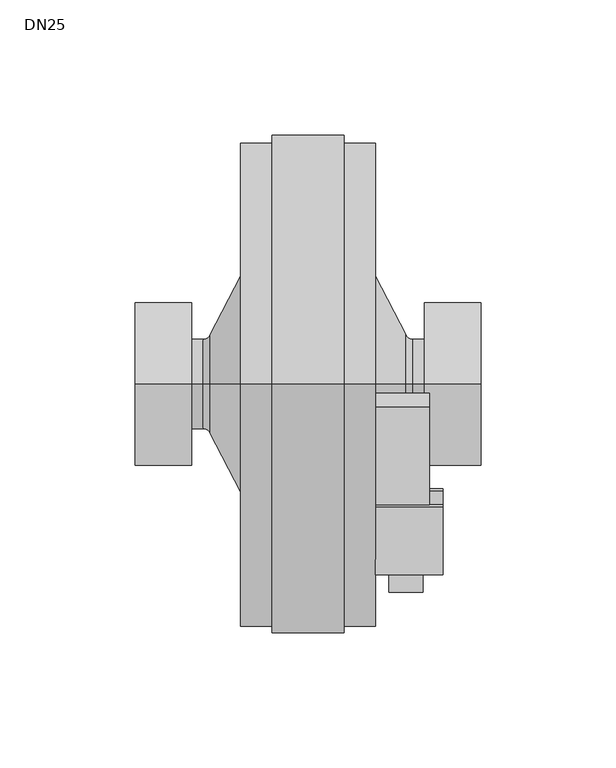
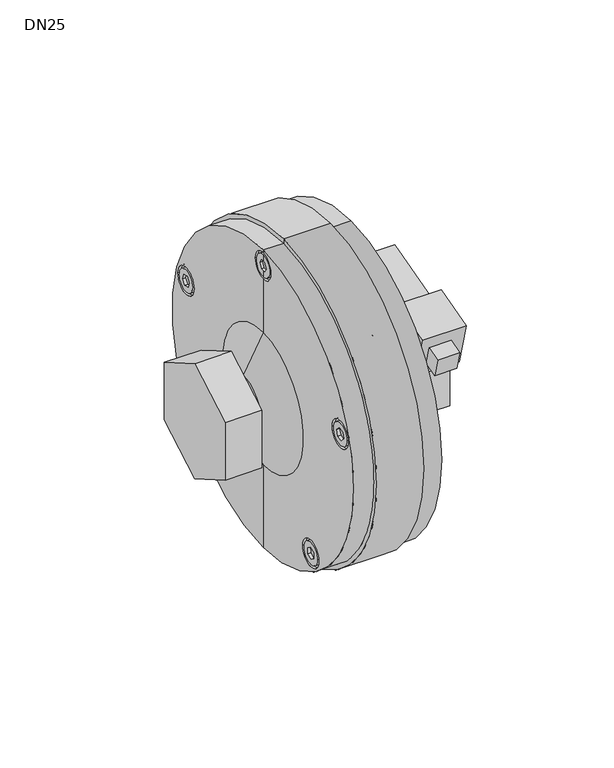
"""IFC4 building model written with IfcOpenShell, lengths in millimetres: proxy geometry, DN25."""

from ifc_helpers import new_model, si_unit, point, frame, origin, place, context, project, spatial, polyline, circle_curve, ellipse_curve, trimmed, outline, extrude, faceted_brep, source, transform, mapped, element, save
from ifc_brep_helpers import plane_surface, cylinder_surface, revolved_surface, advanced_brep


def dn25_79502660(model_context):
    return source(origin(), model_context, "Body", "SolidModel", [
        advanced_brep(
        [(25.0, 0.0, 54.0), (25.0, 0.0, 233.0), (25.0, 0.0, 231.5), (25.0, 8.0, 223.5), (25.0, 0.0, 215.5), (25.0, 0.0, 183.5), (25.0, 0.0, 103.5), (25.0, 68.0845213, 168.2213595), (25.0, 84.0845213, 168.2213595), (25.0, 39.0228202, 78.7786404), (25.0, 55.0228202, 78.7786404), (25.0, 0.0, 230.0), (25.0, 0.0, 226.5), (25.0, 1.7320508, 226.5), (25.0, 3.4641016, 223.5), (25.0, 1.7320508, 220.5), (25.0, 0.0, 220.5), (25.0, 0.0, 217.0), (25.0, 6.5, 223.5), (25.0, 69.5845213, 168.2213595), (25.0, 82.5845213, 168.2213595), (25.0, 72.6961186, 168.9415868), (25.0, 75.014055, 171.515916), (25.0, 78.4024577, 170.7956887), (25.0, 79.472924, 167.5011323), (25.0, 77.1549876, 164.9268031), (25.0, 73.7665849, 165.6470304), (25.0, 40.5228202, 78.7786404), (25.0, 53.5228202, 78.7786404), (25.0, 46.660723, 82.2237654), (25.0, 49.8253373, 80.8147883), (25.0, 50.1874345, 77.3696634), (25.0, 47.3849174, 75.3335155), (25.0, 44.2203031, 76.7424926), (25.0, 43.8582059, 80.1876175), (25.0, -8.0, 223.5), (25.0, -84.0845213, 168.2213595), (25.0, -68.0845213, 168.2213595), (25.0, -55.0228202, 78.7786404), (25.0, -39.0228202, 78.7786404), (25.0, -6.5, 223.5), (25.0, -1.7320508, 220.5), (25.0, -3.4641016, 223.5), (25.0, -1.7320508, 226.5), (25.0, -82.5845213, 168.2213595), (25.0, -69.5845213, 168.2213595), (25.0, -75.014055, 171.515916), (25.0, -72.6961186, 168.9415868), (25.0, -73.7665849, 165.6470304), (25.0, -77.1549876, 164.9268031), (25.0, -79.472924, 167.5011323), (25.0, -78.4024577, 170.7956887), (25.0, -53.5228202, 78.7786404), (25.0, -40.5228202, 78.7786404), (25.0, -49.8253373, 80.8147883), (25.0, -46.660723, 82.2237654), (25.0, -43.8582059, 80.1876175), (25.0, -44.2203031, 76.7424926), (25.0, -47.3849174, 75.3335155), (25.0, -50.1874345, 77.3696634), (13.3663666, 0.0, 54.0), (13.3663666, 0.0, 233.0), (13.3663666, 0.0, 51.5), (13.3663666, 0.0, 235.5), (-13.3663666, 0.0, 51.5), (-13.3663666, 0.0, 235.5), (-13.3663666, 0.0, 54.0), (-13.3663666, 0.0, 233.0), (-25.0, 0.0, 54.0), (-25.0, 0.0, 233.0), (-25.0, 0.0, 103.5), (-25.0, 0.0, 183.5), (-25.0, 0.0, 215.5), (-25.0, 8.0, 223.5), (-25.0, 0.0, 231.5), (-25.0, 84.0845213, 168.2213595), (-25.0, 68.0845213, 168.2213595), (-25.0, 55.0228202, 78.7786404), (-25.0, 39.0228202, 78.7786404), (-25.0, 0.0, 226.5), (-25.0, 0.0, 230.0), (-25.0, 6.5, 223.5), (-25.0, 0.0, 217.0), (-25.0, 0.0, 220.5), (-25.0, 1.7320508, 220.5), (-25.0, 3.4641016, 223.5), (-25.0, 1.7320508, 226.5), (-25.0, 82.5845213, 168.2213595), (-25.0, 69.5845213, 168.2213595), (-25.0, 75.014055, 171.515916), (-25.0, 72.6961186, 168.9415868), (-25.0, 73.7665849, 165.6470304), (-25.0, 77.1549876, 164.9268031), (-25.0, 79.472924, 167.5011323), (-25.0, 78.4024577, 170.7956887), (-25.0, 53.5228202, 78.7786404), (-25.0, 40.5228202, 78.7786404), (-25.0, 49.8253373, 80.8147883), (-25.0, 46.660723, 82.2237654), (-25.0, 43.8582059, 80.1876175), (-25.0, 44.2203031, 76.7424926), (-25.0, 47.3849174, 75.3335155), (-25.0, 50.1874345, 77.3696634), (-25.0, -8.0, 223.5), (-25.0, -68.0845213, 168.2213595), (-25.0, -84.0845213, 168.2213595), (-25.0, -39.0228202, 78.7786404), (-25.0, -55.0228202, 78.7786404), (-25.0, -1.7320508, 226.5), (-25.0, -3.4641016, 223.5), (-25.0, -1.7320508, 220.5), (-25.0, -6.5, 223.5), (-25.0, -69.5845213, 168.2213595), (-25.0, -82.5845213, 168.2213595), (-25.0, -72.6961186, 168.9415868), (-25.0, -75.014055, 171.515916), (-25.0, -78.4024577, 170.7956887), (-25.0, -79.472924, 167.5011323), (-25.0, -77.1549876, 164.9268031), (-25.0, -73.7665849, 165.6470304), (-25.0, -40.5228202, 78.7786404), (-25.0, -53.5228202, 78.7786404), (-25.0, -46.660723, 82.2237654), (-25.0, -49.8253373, 80.8147883), (-25.0, -50.1874345, 77.3696634), (-25.0, -47.3849174, 75.3335155), (-25.0, -44.2203031, 76.7424926), (-25.0, -43.8582059, 80.1876175), (-36.1632704, 0.0, 125.2455856), (-36.1632704, 0.0, 161.7544144), (-38.8321401, 0.0, 126.8755), (-38.8321401, 0.0, 160.1245), (-43.0, 0.0, 126.8755), (-43.0, 0.0, 160.1245), (-43.0, 0.0, 143.5), (43.0, 0.0, 126.8755), (43.0, 0.0, 160.1245), (43.0, 0.0, 143.5), (38.8321401, 0.0, 126.8755), (38.8321401, 0.0, 160.1245), (36.1632704, 0.0, 125.2455856), (36.1632704, 0.0, 161.7544144), (23.2, 68.0845213, 168.2213595), (23.2, 84.0845213, 168.2213595), (23.2, 69.5845213, 168.2213595), (23.2, 82.5845213, 168.2213595), (23.2, 72.6961186, 168.9415868), (23.2, 73.7665849, 165.6470304), (23.2, 77.1549876, 164.9268031), (23.2, 79.472924, 167.5011323), (23.2, 78.4024577, 170.7956887), (23.2, 75.014055, 171.515916), (23.2, -8.0, 223.5), (23.2, 8.0, 223.5), (23.2, -6.5, 223.5), (23.2, 6.5, 223.5), (23.2, -1.7320508, 226.5), (23.2, -3.4641016, 223.5), (23.2, -1.7320508, 220.5), (23.2, 1.7320508, 220.5), (23.2, 3.4641016, 223.5), (23.2, 1.7320508, 226.5), (23.2, -84.0845213, 168.2213595), (23.2, -68.0845213, 168.2213595), (23.2, -82.5845213, 168.2213595), (23.2, -69.5845213, 168.2213595), (23.2, -75.014055, 171.515916), (23.2, -78.4024577, 170.7956887), (23.2, -79.472924, 167.5011323), (23.2, -77.1549876, 164.9268031), (23.2, -73.7665849, 165.6470304), (23.2, -72.6961186, 168.9415868), (23.2, -55.0228202, 78.7786404), (23.2, -39.0228202, 78.7786404), (23.2, -53.5228202, 78.7786404), (23.2, -40.5228202, 78.7786404), (23.2, -49.8253373, 80.8147883), (23.2, -50.1874345, 77.3696634), (23.2, -47.3849174, 75.3335155), (23.2, -44.2203031, 76.7424926), (23.2, -43.8582059, 80.1876175), (23.2, -46.660723, 82.2237654), (23.2, 39.0228202, 78.7786404), (23.2, 55.0228202, 78.7786404), (23.2, 40.5228202, 78.7786404), (23.2, 53.5228202, 78.7786404), (23.2, 46.660723, 82.2237654), (23.2, 43.8582059, 80.1876175), (23.2, 44.2203031, 76.7424926), (23.2, 47.3849174, 75.3335155), (23.2, 50.1874345, 77.3696634), (23.2, 49.8253373, 80.8147883), (-23.2, 68.0845213, 168.2213595), (-23.2, 84.0845213, 168.2213595), (-23.2, 69.5845213, 168.2213595), (-23.2, 82.5845213, 168.2213595), (-23.2, 72.6961186, 168.9415868), (-23.2, 75.014055, 171.515916), (-23.2, 78.4024577, 170.7956887), (-23.2, 79.472924, 167.5011323), (-23.2, 77.1549876, 164.9268031), (-23.2, 73.7665849, 165.6470304), (-23.2, -8.0, 223.5), (-23.2, 8.0, 223.5), (-23.2, -6.5, 223.5), (-23.2, 6.5, 223.5), (-23.2, -1.7320508, 226.5), (-23.2, 1.7320508, 226.5), (-23.2, 3.4641016, 223.5), (-23.2, 1.7320508, 220.5), (-23.2, -1.7320508, 220.5), (-23.2, -3.4641016, 223.5), (-23.2, -84.0845213, 168.2213595), (-23.2, -68.0845213, 168.2213595), (-23.2, -82.5845213, 168.2213595), (-23.2, -69.5845213, 168.2213595), (-23.2, -75.014055, 171.515916), (-23.2, -72.6961186, 168.9415868), (-23.2, -73.7665849, 165.6470304), (-23.2, -77.1549876, 164.9268031), (-23.2, -79.472924, 167.5011323), (-23.2, -78.4024577, 170.7956887), (-23.2, -55.0228202, 78.7786404), (-23.2, -39.0228202, 78.7786404), (-23.2, -53.5228202, 78.7786404), (-23.2, -40.5228202, 78.7786404), (-23.2, -49.8253373, 80.8147883), (-23.2, -46.660723, 82.2237654), (-23.2, -43.8582059, 80.1876175), (-23.2, -44.2203031, 76.7424926), (-23.2, -47.3849174, 75.3335155), (-23.2, -50.1874345, 77.3696634), (-23.2, 39.0228202, 78.7786404), (-23.2, 55.0228202, 78.7786404), (-23.2, 40.5228202, 78.7786404), (-23.2, 53.5228202, 78.7786404), (-23.2, 46.660723, 82.2237654), (-23.2, 49.8253373, 80.8147883), (-23.2, 50.1874345, 77.3696634), (-23.2, 47.3849174, 75.3335155), (-23.2, 44.2203031, 76.7424926), (-23.2, 43.8582059, 80.1876175)],
        [
            (0, 1, circle_curve(frame((25.0, 0.0, 143.5), z_axis=(1.0, 0.0, 0.0), x_axis=(0.0, 0.0, 1.0)), 89.5)),
            (1, 2),
            (2, 3, circle_curve(frame((25.0, 0.0, 223.5), z_axis=(-1.0, 0.0, 0.0), x_axis=(0.0, 1.0, 0.0)), 8.0)),
            (3, 4, circle_curve(frame((25.0, 0.0, 223.5), z_axis=(-1.0, 0.0, 0.0), x_axis=(0.0, 1.0, 0.0)), 8.0)),
            (4, 5),
            (5, 6, circle_curve(frame((25.0, 0.0, 143.5), z_axis=(-1.0, 0.0, 0.0), x_axis=(0.0, 0.0, 1.0)), 40.0)),
            (6, 0),
            (7, 8, circle_curve(frame((25.0, 76.0845213, 168.2213595), z_axis=(-1.0, 0.0, 0.0), x_axis=(0.0, 1.0, 0.0)), 8.0)),
            (8, 7, circle_curve(frame((25.0, 76.0845213, 168.2213595), z_axis=(-1.0, 0.0, 0.0), x_axis=(0.0, 1.0, 0.0)), 8.0)),
            (9, 10, circle_curve(frame((25.0, 47.0228202, 78.7786404), z_axis=(-1.0, 0.0, 0.0), x_axis=(0.0, 1.0, 0.0)), 8.0)),
            (10, 9, circle_curve(frame((25.0, 47.0228202, 78.7786404), z_axis=(-1.0, 0.0, 0.0), x_axis=(0.0, 1.0, 0.0)), 8.0)),
            (11, 12),
            (12, 13),
            (13, 14),
            (14, 15),
            (15, 16),
            (16, 17),
            (17, 18, circle_curve(frame((25.0, 0.0, 223.5), z_axis=(1.0, 0.0, 0.0), x_axis=(0.0, 1.0, 0.0)), 6.5)),
            (18, 11, circle_curve(frame((25.0, 0.0, 223.5), z_axis=(1.0, 0.0, 0.0), x_axis=(0.0, 1.0, 0.0)), 6.5)),
            (19, 20, circle_curve(frame((25.0, 76.0845213, 168.2213595), z_axis=(1.0, 0.0, 0.0), x_axis=(0.0, 1.0, 0.0)), 6.5)),
            (20, 19, circle_curve(frame((25.0, 76.0845213, 168.2213595), z_axis=(1.0, 0.0, 0.0), x_axis=(0.0, 1.0, 0.0)), 6.5)),
            (21, 22),
            (22, 23),
            (23, 24),
            (24, 25),
            (25, 26),
            (26, 21),
            (27, 28, circle_curve(frame((25.0, 47.0228202, 78.7786404), z_axis=(1.0, 0.0, 0.0), x_axis=(0.0, 1.0, 0.0)), 6.5)),
            (28, 27, circle_curve(frame((25.0, 47.0228202, 78.7786404), z_axis=(1.0, 0.0, 0.0), x_axis=(0.0, 1.0, 0.0)), 6.5)),
            (29, 30),
            (30, 31),
            (31, 32),
            (32, 33),
            (33, 34),
            (34, 29),
            (6, 5, circle_curve(frame((25.0, 0.0, 143.5), z_axis=(-1.0, 0.0, 0.0), x_axis=(0.0, 0.0, 1.0)), 40.0)),
            (4, 35, circle_curve(frame((25.0, 0.0, 223.5), z_axis=(-1.0, 0.0, 0.0), x_axis=(0.0, 1.0, 0.0)), 8.0)),
            (35, 2, circle_curve(frame((25.0, 0.0, 223.5), z_axis=(-1.0, 0.0, 0.0), x_axis=(0.0, 1.0, 0.0)), 8.0)),
            (1, 0, circle_curve(frame((25.0, 0.0, 143.5), z_axis=(1.0, 0.0, 0.0), x_axis=(0.0, 0.0, 1.0)), 89.5)),
            (36, 37, circle_curve(frame((25.0, -76.0845213, 168.2213595), z_axis=(-1.0, 0.0, 0.0), x_axis=(0.0, 1.0, 0.0)), 8.0)),
            (37, 36, circle_curve(frame((25.0, -76.0845213, 168.2213595), z_axis=(-1.0, 0.0, 0.0), x_axis=(0.0, 1.0, 0.0)), 8.0)),
            (38, 39, circle_curve(frame((25.0, -47.0228202, 78.7786404), z_axis=(-1.0, 0.0, 0.0), x_axis=(0.0, 1.0, 0.0)), 8.0)),
            (39, 38, circle_curve(frame((25.0, -47.0228202, 78.7786404), z_axis=(-1.0, 0.0, 0.0), x_axis=(0.0, 1.0, 0.0)), 8.0)),
            (11, 40, circle_curve(frame((25.0, 0.0, 223.5), z_axis=(1.0, 0.0, 0.0), x_axis=(0.0, 1.0, 0.0)), 6.5)),
            (40, 17, circle_curve(frame((25.0, 0.0, 223.5), z_axis=(1.0, 0.0, 0.0), x_axis=(0.0, 1.0, 0.0)), 6.5)),
            (16, 41),
            (41, 42),
            (42, 43),
            (43, 12),
            (44, 45, circle_curve(frame((25.0, -76.0845213, 168.2213595), z_axis=(1.0, 0.0, 0.0), x_axis=(0.0, 1.0, 0.0)), 6.5)),
            (45, 44, circle_curve(frame((25.0, -76.0845213, 168.2213595), z_axis=(1.0, 0.0, 0.0), x_axis=(0.0, 1.0, 0.0)), 6.5)),
            (46, 47),
            (47, 48),
            (48, 49),
            (49, 50),
            (50, 51),
            (51, 46),
            (52, 53, circle_curve(frame((25.0, -47.0228202, 78.7786404), z_axis=(1.0, 0.0, 0.0), x_axis=(0.0, 1.0, 0.0)), 6.5)),
            (53, 52, circle_curve(frame((25.0, -47.0228202, 78.7786404), z_axis=(1.0, 0.0, 0.0), x_axis=(0.0, 1.0, 0.0)), 6.5)),
            (54, 55),
            (55, 56),
            (56, 57),
            (57, 58),
            (58, 59),
            (59, 54),
            (0, 60),
            (60, 61, circle_curve(frame((13.3663666, 0.0, 143.5), z_axis=(1.0, 0.0, 0.0), x_axis=(0.0, 0.0, 1.0)), 89.5)),
            (61, 1),
            (61, 60, circle_curve(frame((13.3663666, 0.0, 143.5), z_axis=(1.0, 0.0, 0.0), x_axis=(0.0, 0.0, 1.0)), 89.5)),
            (60, 62),
            (62, 63, circle_curve(frame((13.3663666, 0.0, 143.5), z_axis=(1.0, 0.0, 0.0), x_axis=(0.0, 0.0, 1.0)), 92.0)),
            (63, 61),
            (63, 62, circle_curve(frame((13.3663666, 0.0, 143.5), z_axis=(1.0, 0.0, 0.0), x_axis=(0.0, 0.0, 1.0)), 92.0)),
            (62, 64),
            (64, 65, circle_curve(frame((-13.3663666, 0.0, 143.5), z_axis=(1.0, 0.0, 0.0), x_axis=(0.0, 0.0, 1.0)), 92.0)),
            (65, 63),
            (65, 64, circle_curve(frame((-13.3663666, 0.0, 143.5), z_axis=(1.0, 0.0, 0.0), x_axis=(0.0, 0.0, 1.0)), 92.0)),
            (64, 66),
            (66, 67, circle_curve(frame((-13.3663666, 0.0, 143.5), z_axis=(1.0, 0.0, 0.0), x_axis=(0.0, 0.0, 1.0)), 89.5)),
            (67, 65),
            (67, 66, circle_curve(frame((-13.3663666, 0.0, 143.5), z_axis=(1.0, 0.0, 0.0), x_axis=(0.0, 0.0, 1.0)), 89.5)),
            (66, 68),
            (68, 69, circle_curve(frame((-25.0, 0.0, 143.5), z_axis=(1.0, 0.0, 0.0), x_axis=(0.0, 0.0, 1.0)), 89.5)),
            (69, 67),
            (69, 68, circle_curve(frame((-25.0, 0.0, 143.5), z_axis=(1.0, 0.0, 0.0), x_axis=(0.0, 0.0, 1.0)), 89.5)),
            (68, 70),
            (70, 71, circle_curve(frame((-25.0, 0.0, 143.5), z_axis=(1.0, 0.0, 0.0), x_axis=(0.0, 0.0, 1.0)), 40.0)),
            (71, 72),
            (72, 73, circle_curve(frame((-25.0, 0.0, 223.5), z_axis=(1.0, 0.0, 0.0), x_axis=(0.0, 1.0, 0.0)), 8.0)),
            (73, 74, circle_curve(frame((-25.0, 0.0, 223.5), z_axis=(1.0, 0.0, 0.0), x_axis=(0.0, 1.0, 0.0)), 8.0)),
            (74, 69),
            (75, 76, circle_curve(frame((-25.0, 76.0845213, 168.2213595), z_axis=(1.0, 0.0, 0.0), x_axis=(0.0, 1.0, 0.0)), 8.0)),
            (76, 75, circle_curve(frame((-25.0, 76.0845213, 168.2213595), z_axis=(1.0, 0.0, 0.0), x_axis=(0.0, 1.0, 0.0)), 8.0)),
            (77, 78, circle_curve(frame((-25.0, 47.0228202, 78.7786404), z_axis=(1.0, 0.0, 0.0), x_axis=(0.0, 1.0, 0.0)), 8.0)),
            (78, 77, circle_curve(frame((-25.0, 47.0228202, 78.7786404), z_axis=(1.0, 0.0, 0.0), x_axis=(0.0, 1.0, 0.0)), 8.0)),
            (79, 80),
            (80, 81, circle_curve(frame((-25.0, 0.0, 223.5), z_axis=(-1.0, 0.0, 0.0), x_axis=(0.0, 1.0, 0.0)), 6.5)),
            (81, 82, circle_curve(frame((-25.0, 0.0, 223.5), z_axis=(-1.0, 0.0, 0.0), x_axis=(0.0, 1.0, 0.0)), 6.5)),
            (82, 83),
            (83, 84),
            (84, 85),
            (85, 86),
            (86, 79),
            (87, 88, circle_curve(frame((-25.0, 76.0845213, 168.2213595), z_axis=(-1.0, 0.0, 0.0), x_axis=(0.0, 1.0, 0.0)), 6.5)),
            (88, 87, circle_curve(frame((-25.0, 76.0845213, 168.2213595), z_axis=(-1.0, 0.0, 0.0), x_axis=(0.0, 1.0, 0.0)), 6.5)),
            (89, 90),
            (90, 91),
            (91, 92),
            (92, 93),
            (93, 94),
            (94, 89),
            (95, 96, circle_curve(frame((-25.0, 47.0228202, 78.7786404), z_axis=(-1.0, 0.0, 0.0), x_axis=(0.0, 1.0, 0.0)), 6.5)),
            (96, 95, circle_curve(frame((-25.0, 47.0228202, 78.7786404), z_axis=(-1.0, 0.0, 0.0), x_axis=(0.0, 1.0, 0.0)), 6.5)),
            (97, 98),
            (98, 99),
            (99, 100),
            (100, 101),
            (101, 102),
            (102, 97),
            (74, 103, circle_curve(frame((-25.0, 0.0, 223.5), z_axis=(1.0, 0.0, 0.0), x_axis=(0.0, 1.0, 0.0)), 8.0)),
            (103, 72, circle_curve(frame((-25.0, 0.0, 223.5), z_axis=(1.0, 0.0, 0.0), x_axis=(0.0, 1.0, 0.0)), 8.0)),
            (71, 70, circle_curve(frame((-25.0, 0.0, 143.5), z_axis=(1.0, 0.0, 0.0), x_axis=(0.0, 0.0, 1.0)), 40.0)),
            (104, 105, circle_curve(frame((-25.0, -76.0845213, 168.2213595), z_axis=(1.0, 0.0, 0.0), x_axis=(0.0, 1.0, 0.0)), 8.0)),
            (105, 104, circle_curve(frame((-25.0, -76.0845213, 168.2213595), z_axis=(1.0, 0.0, 0.0), x_axis=(0.0, 1.0, 0.0)), 8.0)),
            (106, 107, circle_curve(frame((-25.0, -47.0228202, 78.7786404), z_axis=(1.0, 0.0, 0.0), x_axis=(0.0, 1.0, 0.0)), 8.0)),
            (107, 106, circle_curve(frame((-25.0, -47.0228202, 78.7786404), z_axis=(1.0, 0.0, 0.0), x_axis=(0.0, 1.0, 0.0)), 8.0)),
            (79, 108),
            (108, 109),
            (109, 110),
            (110, 83),
            (82, 111, circle_curve(frame((-25.0, 0.0, 223.5), z_axis=(-1.0, 0.0, 0.0), x_axis=(0.0, 1.0, 0.0)), 6.5)),
            (111, 80, circle_curve(frame((-25.0, 0.0, 223.5), z_axis=(-1.0, 0.0, 0.0), x_axis=(0.0, 1.0, 0.0)), 6.5)),
            (112, 113, circle_curve(frame((-25.0, -76.0845213, 168.2213595), z_axis=(-1.0, 0.0, 0.0), x_axis=(0.0, 1.0, 0.0)), 6.5)),
            (113, 112, circle_curve(frame((-25.0, -76.0845213, 168.2213595), z_axis=(-1.0, 0.0, 0.0), x_axis=(0.0, 1.0, 0.0)), 6.5)),
            (114, 115),
            (115, 116),
            (116, 117),
            (117, 118),
            (118, 119),
            (119, 114),
            (120, 121, circle_curve(frame((-25.0, -47.0228202, 78.7786404), z_axis=(-1.0, 0.0, 0.0), x_axis=(0.0, 1.0, 0.0)), 6.5)),
            (121, 120, circle_curve(frame((-25.0, -47.0228202, 78.7786404), z_axis=(-1.0, 0.0, 0.0), x_axis=(0.0, 1.0, 0.0)), 6.5)),
            (122, 123),
            (123, 124),
            (124, 125),
            (125, 126),
            (126, 127),
            (127, 122),
            (70, 128),
            (128, 129, circle_curve(frame((-36.1632704, 0.0, 143.5), z_axis=(1.0, 0.0, 0.0), x_axis=(0.0, 0.0, 1.0)), 18.2544144)),
            (129, 71),
            (129, 128, circle_curve(frame((-36.1632704, 0.0, 143.5), z_axis=(1.0, 0.0, 0.0), x_axis=(0.0, 0.0, 1.0)), 18.2544144)),
            (128, 130, circle_curve(frame((-38.8321401, 0.0, 123.8755), z_axis=(0.0, -1.0, 0.0), x_axis=(1.0, 0.0, 0.0)), 3.0)),
            (130, 131, circle_curve(frame((-38.8321401, 0.0, 143.5), z_axis=(1.0, 0.0, 0.0), x_axis=(0.0, 0.0, 1.0)), 16.6245)),
            (131, 129, circle_curve(frame((-38.8321401, 0.0, 163.1245), z_axis=(0.0, -1.0, 0.0), x_axis=(1.0, 0.0, 0.0)), 3.0)),
            (131, 130, circle_curve(frame((-38.8321401, 0.0, 143.5), z_axis=(1.0, 0.0, 0.0), x_axis=(0.0, 0.0, 1.0)), 16.6245)),
            (130, 132),
            (132, 133, circle_curve(frame((-43.0, 0.0, 143.5), z_axis=(1.0, 0.0, 0.0), x_axis=(0.0, 0.0, 1.0)), 16.6245)),
            (133, 131),
            (133, 132, circle_curve(frame((-43.0, 0.0, 143.5), z_axis=(1.0, 0.0, 0.0), x_axis=(0.0, 0.0, 1.0)), 16.6245)),
            (132, 134),
            (134, 133),
            (135, 136, circle_curve(frame((43.0, 0.0, 143.5), z_axis=(1.0, 0.0, 0.0), x_axis=(0.0, 0.0, 1.0)), 16.6245)),
            (136, 137),
            (137, 135),
            (136, 135, circle_curve(frame((43.0, 0.0, 143.5), z_axis=(1.0, 0.0, 0.0), x_axis=(0.0, 0.0, 1.0)), 16.6245)),
            (135, 138),
            (138, 139, circle_curve(frame((38.8321401, 0.0, 143.5), z_axis=(1.0, 0.0, 0.0), x_axis=(0.0, 0.0, 1.0)), 16.6245)),
            (139, 136),
            (139, 138, circle_curve(frame((38.8321401, 0.0, 143.5), z_axis=(1.0, 0.0, 0.0), x_axis=(0.0, 0.0, 1.0)), 16.6245)),
            (138, 140, circle_curve(frame((38.8321401, 0.0, 123.8755), z_axis=(0.0, -1.0, 0.0), x_axis=(1.0, 0.0, 0.0)), 3.0)),
            (140, 141, circle_curve(frame((36.1632704, 0.0, 143.5), z_axis=(1.0, 0.0, 0.0), x_axis=(0.0, 0.0, 1.0)), 18.2544144)),
            (141, 139, circle_curve(frame((38.8321401, 0.0, 163.1245), z_axis=(0.0, -1.0, 0.0), x_axis=(1.0, 0.0, 0.0)), 3.0)),
            (141, 140, circle_curve(frame((36.1632704, 0.0, 143.5), z_axis=(1.0, 0.0, 0.0), x_axis=(0.0, 0.0, 1.0)), 18.2544144)),
            (5, 141),
            (140, 6),
            (142, 143, circle_curve(frame((23.2, 76.0845213, 168.2213595), z_axis=(1.0, 0.0, 0.0), x_axis=(0.0, 1.0, 0.0)), 8.0)),
            (143, 142, circle_curve(frame((23.2, 76.0845213, 168.2213595), z_axis=(1.0, 0.0, 0.0), x_axis=(0.0, 1.0, 0.0)), 8.0)),
            (144, 145, circle_curve(frame((23.2, 76.0845213, 168.2213595), z_axis=(-1.0, 0.0, 0.0), x_axis=(0.0, 1.0, 0.0)), 6.5)),
            (145, 144, circle_curve(frame((23.2, 76.0845213, 168.2213595), z_axis=(-1.0, 0.0, 0.0), x_axis=(0.0, 1.0, 0.0)), 6.5)),
            (146, 147),
            (147, 148),
            (148, 149),
            (149, 150),
            (150, 151),
            (151, 146),
            (152, 153, circle_curve(frame((23.2, 0.0, 223.5), z_axis=(1.0, 0.0, 0.0), x_axis=(0.0, 1.0, 0.0)), 8.0)),
            (153, 152, circle_curve(frame((23.2, 0.0, 223.5), z_axis=(1.0, 0.0, 0.0), x_axis=(0.0, 1.0, 0.0)), 8.0)),
            (154, 155, circle_curve(frame((23.2, 0.0, 223.5), z_axis=(-1.0, 0.0, 0.0), x_axis=(0.0, 1.0, 0.0)), 6.5)),
            (155, 154, circle_curve(frame((23.2, 0.0, 223.5), z_axis=(-1.0, 0.0, 0.0), x_axis=(0.0, 1.0, 0.0)), 6.5)),
            (156, 157),
            (157, 158),
            (158, 159),
            (159, 160),
            (160, 161),
            (161, 156),
            (162, 163, circle_curve(frame((23.2, -76.0845213, 168.2213595), z_axis=(1.0, 0.0, 0.0), x_axis=(0.0, 1.0, 0.0)), 8.0)),
            (163, 162, circle_curve(frame((23.2, -76.0845213, 168.2213595), z_axis=(1.0, 0.0, 0.0), x_axis=(0.0, 1.0, 0.0)), 8.0)),
            (164, 165, circle_curve(frame((23.2, -76.0845213, 168.2213595), z_axis=(-1.0, 0.0, 0.0), x_axis=(0.0, 1.0, 0.0)), 6.5)),
            (165, 164, circle_curve(frame((23.2, -76.0845213, 168.2213595), z_axis=(-1.0, 0.0, 0.0), x_axis=(0.0, 1.0, 0.0)), 6.5)),
            (166, 167),
            (167, 168),
            (168, 169),
            (169, 170),
            (170, 171),
            (171, 166),
            (172, 173, circle_curve(frame((23.2, -47.0228202, 78.7786404), z_axis=(1.0, 0.0, 0.0), x_axis=(0.0, 1.0, 0.0)), 8.0)),
            (173, 172, circle_curve(frame((23.2, -47.0228202, 78.7786404), z_axis=(1.0, 0.0, 0.0), x_axis=(0.0, 1.0, 0.0)), 8.0)),
            (174, 175, circle_curve(frame((23.2, -47.0228202, 78.7786404), z_axis=(-1.0, 0.0, 0.0), x_axis=(0.0, 1.0, 0.0)), 6.5)),
            (175, 174, circle_curve(frame((23.2, -47.0228202, 78.7786404), z_axis=(-1.0, 0.0, 0.0), x_axis=(0.0, 1.0, 0.0)), 6.5)),
            (176, 177),
            (177, 178),
            (178, 179),
            (179, 180),
            (180, 181),
            (181, 176),
            (182, 183, circle_curve(frame((23.2, 47.0228202, 78.7786404), z_axis=(1.0, 0.0, 0.0), x_axis=(0.0, 1.0, 0.0)), 8.0)),
            (183, 182, circle_curve(frame((23.2, 47.0228202, 78.7786404), z_axis=(1.0, 0.0, 0.0), x_axis=(0.0, 1.0, 0.0)), 8.0)),
            (184, 185, circle_curve(frame((23.2, 47.0228202, 78.7786404), z_axis=(-1.0, 0.0, 0.0), x_axis=(0.0, 1.0, 0.0)), 6.5)),
            (185, 184, circle_curve(frame((23.2, 47.0228202, 78.7786404), z_axis=(-1.0, 0.0, 0.0), x_axis=(0.0, 1.0, 0.0)), 6.5)),
            (186, 187),
            (187, 188),
            (188, 189),
            (189, 190),
            (190, 191),
            (191, 186),
            (143, 8),
            (7, 142),
            (145, 20),
            (19, 144),
            (151, 22),
            (21, 146),
            (150, 23),
            (149, 24),
            (148, 25),
            (147, 26),
            (153, 3),
            (35, 152),
            (155, 18),
            (40, 154),
            (161, 13),
            (43, 156),
            (160, 14),
            (159, 15),
            (158, 41),
            (157, 42),
            (163, 37),
            (36, 162),
            (165, 45),
            (44, 164),
            (171, 47),
            (46, 166),
            (170, 48),
            (169, 49),
            (168, 50),
            (167, 51),
            (173, 39),
            (38, 172),
            (175, 53),
            (52, 174),
            (181, 55),
            (54, 176),
            (180, 56),
            (179, 57),
            (178, 58),
            (177, 59),
            (183, 10),
            (9, 182),
            (185, 28),
            (27, 184),
            (191, 30),
            (29, 186),
            (190, 31),
            (189, 32),
            (188, 33),
            (187, 34),
            (192, 193, circle_curve(frame((-23.2, 76.0845213, 168.2213595), z_axis=(-1.0, 0.0, 0.0), x_axis=(0.0, 1.0, 0.0)), 8.0)),
            (193, 192, circle_curve(frame((-23.2, 76.0845213, 168.2213595), z_axis=(-1.0, 0.0, 0.0), x_axis=(0.0, 1.0, 0.0)), 8.0)),
            (194, 195, circle_curve(frame((-23.2, 76.0845213, 168.2213595), z_axis=(1.0, 0.0, 0.0), x_axis=(0.0, 1.0, 0.0)), 6.5)),
            (195, 194, circle_curve(frame((-23.2, 76.0845213, 168.2213595), z_axis=(1.0, 0.0, 0.0), x_axis=(0.0, 1.0, 0.0)), 6.5)),
            (196, 197),
            (197, 198),
            (198, 199),
            (199, 200),
            (200, 201),
            (201, 196),
            (202, 203, circle_curve(frame((-23.2, 0.0, 223.5), z_axis=(-1.0, 0.0, 0.0), x_axis=(0.0, 1.0, 0.0)), 8.0)),
            (203, 202, circle_curve(frame((-23.2, 0.0, 223.5), z_axis=(-1.0, 0.0, 0.0), x_axis=(0.0, 1.0, 0.0)), 8.0)),
            (204, 205, circle_curve(frame((-23.2, 0.0, 223.5), z_axis=(1.0, 0.0, 0.0), x_axis=(0.0, 1.0, 0.0)), 6.5)),
            (205, 204, circle_curve(frame((-23.2, 0.0, 223.5), z_axis=(1.0, 0.0, 0.0), x_axis=(0.0, 1.0, 0.0)), 6.5)),
            (206, 207),
            (207, 208),
            (208, 209),
            (209, 210),
            (210, 211),
            (211, 206),
            (212, 213, circle_curve(frame((-23.2, -76.0845213, 168.2213595), z_axis=(-1.0, 0.0, 0.0), x_axis=(0.0, 1.0, 0.0)), 8.0)),
            (213, 212, circle_curve(frame((-23.2, -76.0845213, 168.2213595), z_axis=(-1.0, 0.0, 0.0), x_axis=(0.0, 1.0, 0.0)), 8.0)),
            (214, 215, circle_curve(frame((-23.2, -76.0845213, 168.2213595), z_axis=(1.0, 0.0, 0.0), x_axis=(0.0, 1.0, 0.0)), 6.5)),
            (215, 214, circle_curve(frame((-23.2, -76.0845213, 168.2213595), z_axis=(1.0, 0.0, 0.0), x_axis=(0.0, 1.0, 0.0)), 6.5)),
            (216, 217),
            (217, 218),
            (218, 219),
            (219, 220),
            (220, 221),
            (221, 216),
            (222, 223, circle_curve(frame((-23.2, -47.0228202, 78.7786404), z_axis=(-1.0, 0.0, 0.0), x_axis=(0.0, 1.0, 0.0)), 8.0)),
            (223, 222, circle_curve(frame((-23.2, -47.0228202, 78.7786404), z_axis=(-1.0, 0.0, 0.0), x_axis=(0.0, 1.0, 0.0)), 8.0)),
            (224, 225, circle_curve(frame((-23.2, -47.0228202, 78.7786404), z_axis=(1.0, 0.0, 0.0), x_axis=(0.0, 1.0, 0.0)), 6.5)),
            (225, 224, circle_curve(frame((-23.2, -47.0228202, 78.7786404), z_axis=(1.0, 0.0, 0.0), x_axis=(0.0, 1.0, 0.0)), 6.5)),
            (226, 227),
            (227, 228),
            (228, 229),
            (229, 230),
            (230, 231),
            (231, 226),
            (232, 233, circle_curve(frame((-23.2, 47.0228202, 78.7786404), z_axis=(-1.0, 0.0, 0.0), x_axis=(0.0, 1.0, 0.0)), 8.0)),
            (233, 232, circle_curve(frame((-23.2, 47.0228202, 78.7786404), z_axis=(-1.0, 0.0, 0.0), x_axis=(0.0, 1.0, 0.0)), 8.0)),
            (234, 235, circle_curve(frame((-23.2, 47.0228202, 78.7786404), z_axis=(1.0, 0.0, 0.0), x_axis=(0.0, 1.0, 0.0)), 6.5)),
            (235, 234, circle_curve(frame((-23.2, 47.0228202, 78.7786404), z_axis=(1.0, 0.0, 0.0), x_axis=(0.0, 1.0, 0.0)), 6.5)),
            (236, 237),
            (237, 238),
            (238, 239),
            (239, 240),
            (240, 241),
            (241, 236),
            (192, 76),
            (75, 193),
            (194, 88),
            (87, 195),
            (196, 90),
            (89, 197),
            (94, 198),
            (93, 199),
            (92, 200),
            (91, 201),
            (202, 103),
            (73, 203),
            (204, 111),
            (81, 205),
            (206, 108),
            (86, 207),
            (85, 208),
            (84, 209),
            (110, 210),
            (109, 211),
            (212, 105),
            (104, 213),
            (214, 113),
            (112, 215),
            (216, 115),
            (114, 217),
            (119, 218),
            (118, 219),
            (117, 220),
            (116, 221),
            (222, 107),
            (106, 223),
            (224, 121),
            (120, 225),
            (226, 123),
            (122, 227),
            (127, 228),
            (126, 229),
            (125, 230),
            (124, 231),
            (232, 78),
            (77, 233),
            (234, 96),
            (95, 235),
            (236, 98),
            (97, 237),
            (102, 238),
            (101, 239),
            (100, 240),
            (99, 241),
        ],
        [
            plane_surface(frame((25.0, 0.0, 143.5), z_axis=(1.0, 0.0, 0.0), x_axis=(0.0, 0.0, 1.0))),
            cylinder_surface(frame((-230.6589586, 0.0, 143.5), z_axis=(-1.0, 0.0, 0.0), x_axis=(0.0, 0.0, 1.0)), 89.5),
            plane_surface(frame((13.3663666, 0.0, 143.5), z_axis=(1.0, 0.0, 0.0), x_axis=(0.0, 0.0, 1.0))),
            cylinder_surface(frame((-230.6589586, 0.0, 143.5), z_axis=(-1.0, 0.0, 0.0), x_axis=(0.0, 0.0, 1.0)), 92.0),
            plane_surface(frame((-13.3663666, 0.0, 143.5), z_axis=(-1.0, 0.0, 0.0), x_axis=(0.0, 0.0, 1.0))),
            plane_surface(frame((-25.0, 0.0, 143.5), z_axis=(-1.0, 0.0, 0.0), x_axis=(0.0, 0.0, 1.0))),
            revolved_surface(polyline([(-25.0, 0.0, 183.5), (-36.1632704, 0.0, 161.7544144)]), (-230.6589586, 0.0, 143.5), (-1.0, 0.0, 0.0)),
            revolved_surface(trimmed(ellipse_curve(frame((-38.8321401, 0.0, 163.1245), z_axis=(0.0, 1.0, 0.0), x_axis=(1.0, 0.0, 0.0)), 3.0, 3.0), [point((-36.1632704, 0.0, 161.7544144))], [point((-38.8321401, 0.0, 160.1245))], True, "CARTESIAN"), (-230.6589586, 0.0, 143.5), (-1.0, 0.0, 0.0)),
            cylinder_surface(frame((-230.6589586, 0.0, 143.5), z_axis=(-1.0, 0.0, 0.0), x_axis=(0.0, 0.0, 1.0)), 16.6245),
            plane_surface(frame((-43.0, 0.0, 143.5), z_axis=(-1.0, 0.0, 0.0), x_axis=(0.0, 0.0, 1.0))),
            plane_surface(frame((43.0, 0.0, 143.5), z_axis=(1.0, 0.0, 0.0), x_axis=(0.0, 0.0, 1.0))),
            revolved_surface(trimmed(ellipse_curve(frame((38.8321401, 0.0, 163.1245), z_axis=(0.0, 1.0, 0.0), x_axis=(1.0, 0.0, 0.0)), 3.0, 3.0), [point((38.8321401, 0.0, 160.1245))], [point((36.1632704, 0.0, 161.7544144))], True, "CARTESIAN"), (-230.6589586, 0.0, 143.5), (-1.0, 0.0, 0.0)),
            revolved_surface(polyline([(36.1632704, 0.0, 161.7544144), (25.0, 0.0, 183.5)]), (-230.6589586, 0.0, 143.5), (-1.0, 0.0, 0.0)),
            plane_surface(frame((23.2, 84.0845213, 168.2213595), z_axis=(1.0, 0.0, 0.0), x_axis=(0.0, 0.0, -1.0))),
            revolved_surface(polyline([(23.2, 84.0845213, 168.2213595), (25.0, 84.0845213, 168.2213595)]), (25.0, 76.0845213, 168.2213595), (-1.0, 0.0, 0.0)),
            cylinder_surface(frame((25.0, 76.0845213, 168.2213595), z_axis=(1.0, 0.0, 0.0), x_axis=(0.0, 1.0, 0.0)), 6.5),
            plane_surface(frame((23.2, 72.6961186, 168.9415868), z_axis=(0.0, 0.7431448254776175, -0.6691306063586104), x_axis=(1.0, 0.0, 0.0))),
            plane_surface(frame((23.2, 75.014055, 171.515916), z_axis=(0.0, -0.2079116908177856, -0.9781476007338001), x_axis=(1.0, 0.0, 0.0))),
            plane_surface(frame((23.2, 78.4024577, 170.7956887), z_axis=(0.0, -0.9510565162954702, -0.30901699437397306), x_axis=(1.0, 0.0, 0.0))),
            plane_surface(frame((23.2, 79.472924, 167.5011323), z_axis=(0.0, -0.7431448254778273, 0.6691306063583772), x_axis=(1.0, 0.0, 0.0))),
            plane_surface(frame((23.2, 77.1549876, 164.9268031), z_axis=(0.0, 0.20791169081856328, 0.9781476007336348), x_axis=(1.0, 0.0, 0.0))),
            plane_surface(frame((23.2, 73.7665849, 165.6470304), z_axis=(0.0, 0.9510565162950952, 0.30901699437512703), x_axis=(1.0, 0.0, 0.0))),
            revolved_surface(polyline([(23.2, 8.0, 223.5), (25.0, 8.0, 223.5)]), (25.0, 0.0, 223.5), (-1.0, 0.0, 0.0)),
            cylinder_surface(frame((25.0, 0.0, 223.5), z_axis=(1.0, 0.0, 0.0), x_axis=(0.0, 1.0, 0.0)), 6.5),
            plane_surface(frame((23.2, -1.7320508, 226.5), z_axis=(0.0, 0.0, -1.0), x_axis=(1.0, 0.0, 0.0))),
            plane_surface(frame((23.2, 1.7320508, 226.5), z_axis=(0.0, -0.8660254037842133, -0.5000000000003902), x_axis=(1.0, 0.0, 0.0))),
            plane_surface(frame((23.2, 3.4641016, 223.5), z_axis=(0.0, -0.8660254037842543, 0.5000000000003194), x_axis=(1.0, 0.0, 0.0))),
            plane_surface(frame((23.2, 1.7320508, 220.5), z_axis=(0.0, 0.0, 1.0), x_axis=(1.0, 0.0, 0.0))),
            plane_surface(frame((23.2, -1.7320508, 220.5), z_axis=(0.0, 0.8660254037842569, 0.500000000000315), x_axis=(1.0, 0.0, 0.0))),
            plane_surface(frame((23.2, -3.4641016, 223.5), z_axis=(0.0, 0.8660254037842149, -0.5000000000003878), x_axis=(1.0, 0.0, 0.0))),
            revolved_surface(polyline([(23.2, -68.0845213, 168.2213595), (25.0, -68.0845213, 168.2213595)]), (25.0, -76.0845213, 168.2213595), (-1.0, 0.0, 0.0)),
            cylinder_surface(frame((25.0, -76.0845213, 168.2213595), z_axis=(1.0, 0.0, 0.0), x_axis=(0.0, 1.0, 0.0)), 6.5),
            plane_surface(frame((23.2, -75.014055, 171.515916), z_axis=(0.0, -0.7431448254775515, -0.6691306063586836), x_axis=(1.0, 0.0, 0.0))),
            plane_surface(frame((23.2, -72.6961186, 168.9415868), z_axis=(0.0, -0.951056516294919, 0.30901699437566954), x_axis=(1.0, 0.0, 0.0))),
            plane_surface(frame((23.2, -73.7665849, 165.6470304), z_axis=(0.0, -0.20791169081751648, 0.9781476007338573), x_axis=(1.0, 0.0, 0.0))),
            plane_surface(frame((23.2, -77.1549876, 164.9268031), z_axis=(0.0, 0.7431448254770616, 0.6691306063592276), x_axis=(1.0, 0.0, 0.0))),
            plane_surface(frame((23.2, -79.472924, 167.5011323), z_axis=(0.0, 0.9510565162951027, -0.30901699437510405), x_axis=(1.0, 0.0, 0.0))),
            plane_surface(frame((23.2, -78.4024577, 170.7956887), z_axis=(0.0, 0.20791169081843613, -0.9781476007336618), x_axis=(1.0, 0.0, 0.0))),
            revolved_surface(polyline([(23.2, -39.0228202, 78.7786404), (25.0, -39.0228202, 78.7786404)]), (25.0, -47.0228202, 78.7786404), (-1.0, 0.0, 0.0)),
            cylinder_surface(frame((25.0, -47.0228202, 78.7786404), z_axis=(1.0, 0.0, 0.0), x_axis=(0.0, 1.0, 0.0)), 6.5),
            plane_surface(frame((23.2, -49.8253373, 80.8147883), z_axis=(0.0, 0.40673664307542956, -0.913545457642766), x_axis=(1.0, 0.0, 0.0))),
            plane_surface(frame((23.2, -46.660723, 82.2237654), z_axis=(0.0, -0.5877852522925402, -0.8090169943748987), x_axis=(1.0, 0.0, 0.0))),
            plane_surface(frame((23.2, -43.8582059, 80.1876175), z_axis=(0.0, -0.9945218953682905, 0.10452846326749111), x_axis=(1.0, 0.0, 0.0))),
            plane_surface(frame((23.2, -44.2203031, 76.7424926), z_axis=(0.0, -0.40673664307536433, 0.9135454576427949), x_axis=(1.0, 0.0, 0.0))),
            plane_surface(frame((23.2, -47.3849174, 75.3335155), z_axis=(0.0, 0.5877852522925402, 0.8090169943748987), x_axis=(1.0, 0.0, 0.0))),
            plane_surface(frame((23.2, -50.1874345, 77.3696634), z_axis=(0.0, 0.9945218953682896, -0.10452846326749925), x_axis=(1.0, 0.0, 0.0))),
            revolved_surface(polyline([(23.2, 55.0228202, 78.7786404), (25.0, 55.0228202, 78.7786404)]), (25.0, 47.0228202, 78.7786404), (-1.0, 0.0, 0.0)),
            cylinder_surface(frame((25.0, 47.0228202, 78.7786404), z_axis=(1.0, 0.0, 0.0), x_axis=(0.0, 1.0, 0.0)), 6.5),
            plane_surface(frame((23.2, 46.660723, 82.2237654), z_axis=(0.0, -0.40673664307559665, -0.9135454576426916), x_axis=(1.0, 0.0, 0.0))),
            plane_surface(frame((23.2, 49.8253373, 80.8147883), z_axis=(0.0, -0.9945218953683554, -0.10452846326687275), x_axis=(1.0, 0.0, 0.0))),
            plane_surface(frame((23.2, 50.1874345, 77.3696634), z_axis=(0.0, -0.5877852522921821, 0.8090169943751588), x_axis=(1.0, 0.0, 0.0))),
            plane_surface(frame((23.2, 47.3849174, 75.3335155), z_axis=(0.0, 0.40673664307543766, 0.9135454576427624), x_axis=(1.0, 0.0, 0.0))),
            plane_surface(frame((23.2, 44.2203031, 76.7424926), z_axis=(0.0, 0.9945218953682955, 0.10452846326744236), x_axis=(1.0, 0.0, 0.0))),
            plane_surface(frame((23.2, 43.8582059, 80.1876175), z_axis=(0.0, 0.5877852522921821, -0.8090169943751588), x_axis=(1.0, 0.0, 0.0))),
            plane_surface(frame((-23.2, 84.0845213, 168.2213595), z_axis=(-1.0, 0.0, 0.0), x_axis=(0.0, 0.0, 1.0))),
            revolved_surface(polyline([(-23.2, 84.0845213, 168.2213595), (-25.0, 84.0845213, 168.2213595)]), (-25.0, 76.0845213, 168.2213595), (1.0, 0.0, 0.0)),
            cylinder_surface(frame((-25.0, 76.0845213, 168.2213595), z_axis=(-1.0, 0.0, 0.0), x_axis=(0.0, 1.0, 0.0)), 6.5),
            plane_surface(frame((-23.2, 75.014055, 171.515916), z_axis=(0.0, 0.7431448254776175, -0.6691306063586104), x_axis=(-1.0, 0.0, 0.0))),
            plane_surface(frame((-23.2, 78.4024577, 170.7956887), z_axis=(0.0, -0.2079116908177856, -0.9781476007338001), x_axis=(-1.0, 0.0, 0.0))),
            plane_surface(frame((-23.2, 79.472924, 167.5011323), z_axis=(0.0, -0.9510565162954702, -0.30901699437397306), x_axis=(-1.0, 0.0, 0.0))),
            plane_surface(frame((-23.2, 77.1549876, 164.9268031), z_axis=(0.0, -0.7431448254778273, 0.6691306063583772), x_axis=(-1.0, 0.0, 0.0))),
            plane_surface(frame((-23.2, 73.7665849, 165.6470304), z_axis=(0.0, 0.20791169081856328, 0.9781476007336348), x_axis=(-1.0, 0.0, 0.0))),
            plane_surface(frame((-23.2, 72.6961186, 168.9415868), z_axis=(0.0, 0.9510565162950952, 0.30901699437512703), x_axis=(-1.0, 0.0, 0.0))),
            revolved_surface(polyline([(-23.2, 8.0, 223.5), (-25.0, 8.0, 223.5)]), (-25.0, 0.0, 223.5), (1.0, 0.0, 0.0)),
            cylinder_surface(frame((-25.0, 0.0, 223.5), z_axis=(-1.0, 0.0, 0.0), x_axis=(0.0, 1.0, 0.0)), 6.5),
            plane_surface(frame((-23.2, 1.7320508, 226.5), z_axis=(0.0, 0.0, -1.0), x_axis=(-1.0, 0.0, 0.0))),
            plane_surface(frame((-23.2, 3.4641016, 223.5), z_axis=(0.0, -0.8660254037842133, -0.5000000000003902), x_axis=(-1.0, 0.0, 0.0))),
            plane_surface(frame((-23.2, 1.7320508, 220.5), z_axis=(0.0, -0.8660254037842542, 0.5000000000003196), x_axis=(-1.0, 0.0, 0.0))),
            plane_surface(frame((-23.2, -1.7320508, 220.5), z_axis=(0.0, 0.0, 1.0), x_axis=(-1.0, 0.0, 0.0))),
            plane_surface(frame((-23.2, -3.4641016, 223.5), z_axis=(0.0, 0.8660254037842569, 0.500000000000315), x_axis=(-1.0, 0.0, 0.0))),
            plane_surface(frame((-23.2, -1.7320508, 226.5), z_axis=(0.0, 0.8660254037842149, -0.5000000000003878), x_axis=(-1.0, 0.0, 0.0))),
            revolved_surface(polyline([(-23.2, -68.0845213, 168.2213595), (-25.0, -68.0845213, 168.2213595)]), (-25.0, -76.0845213, 168.2213595), (1.0, 0.0, 0.0)),
            cylinder_surface(frame((-25.0, -76.0845213, 168.2213595), z_axis=(-1.0, 0.0, 0.0), x_axis=(0.0, 1.0, 0.0)), 6.5),
            plane_surface(frame((-23.2, -72.6961186, 168.9415868), z_axis=(0.0, -0.7431448254775515, -0.6691306063586836), x_axis=(-1.0, 0.0, 0.0))),
            plane_surface(frame((-23.2, -73.7665849, 165.6470304), z_axis=(0.0, -0.951056516294919, 0.30901699437566954), x_axis=(-1.0, 0.0, 0.0))),
            plane_surface(frame((-23.2, -77.1549876, 164.9268031), z_axis=(0.0, -0.20791169081751648, 0.9781476007338573), x_axis=(-1.0, 0.0, 0.0))),
            plane_surface(frame((-23.2, -79.472924, 167.5011323), z_axis=(0.0, 0.7431448254770616, 0.6691306063592276), x_axis=(-1.0, 0.0, 0.0))),
            plane_surface(frame((-23.2, -78.4024577, 170.7956887), z_axis=(0.0, 0.9510565162951027, -0.30901699437510405), x_axis=(-1.0, 0.0, 0.0))),
            plane_surface(frame((-23.2, -75.014055, 171.515916), z_axis=(0.0, 0.20791169081843613, -0.9781476007336618), x_axis=(-1.0, 0.0, 0.0))),
            revolved_surface(polyline([(-23.2, -39.0228202, 78.7786404), (-25.0, -39.0228202, 78.7786404)]), (-25.0, -47.0228202, 78.7786404), (1.0, 0.0, 0.0)),
            cylinder_surface(frame((-25.0, -47.0228202, 78.7786404), z_axis=(-1.0, 0.0, 0.0), x_axis=(0.0, 1.0, 0.0)), 6.5),
            plane_surface(frame((-23.2, -46.660723, 82.2237654), z_axis=(0.0, 0.40673664307542956, -0.913545457642766), x_axis=(-1.0, 0.0, 0.0))),
            plane_surface(frame((-23.2, -43.8582059, 80.1876175), z_axis=(0.0, -0.5877852522925402, -0.8090169943748987), x_axis=(-1.0, 0.0, 0.0))),
            plane_surface(frame((-23.2, -44.2203031, 76.7424926), z_axis=(0.0, -0.9945218953682905, 0.10452846326749111), x_axis=(-1.0, 0.0, 0.0))),
            plane_surface(frame((-23.2, -47.3849174, 75.3335155), z_axis=(0.0, -0.40673664307536433, 0.9135454576427949), x_axis=(-1.0, 0.0, 0.0))),
            plane_surface(frame((-23.2, -50.1874345, 77.3696634), z_axis=(0.0, 0.5877852522925402, 0.8090169943748987), x_axis=(-1.0, 0.0, 0.0))),
            plane_surface(frame((-23.2, -49.8253373, 80.8147883), z_axis=(0.0, 0.9945218953682896, -0.10452846326749925), x_axis=(-1.0, 0.0, 0.0))),
            revolved_surface(polyline([(-23.2, 55.0228202, 78.7786404), (-25.0, 55.0228202, 78.7786404)]), (-25.0, 47.0228202, 78.7786404), (1.0, 0.0, 0.0)),
            cylinder_surface(frame((-25.0, 47.0228202, 78.7786404), z_axis=(-1.0, 0.0, 0.0), x_axis=(0.0, 1.0, 0.0)), 6.5),
            plane_surface(frame((-23.2, 49.8253373, 80.8147883), z_axis=(0.0, -0.40673664307559665, -0.9135454576426916), x_axis=(-1.0, 0.0, 0.0))),
            plane_surface(frame((-23.2, 50.1874345, 77.3696634), z_axis=(0.0, -0.9945218953683554, -0.10452846326687275), x_axis=(-1.0, 0.0, 0.0))),
            plane_surface(frame((-23.2, 47.3849174, 75.3335155), z_axis=(0.0, -0.5877852522921821, 0.8090169943751588), x_axis=(-1.0, 0.0, 0.0))),
            plane_surface(frame((-23.2, 44.2203031, 76.7424926), z_axis=(0.0, 0.40673664307543766, 0.9135454576427624), x_axis=(-1.0, 0.0, 0.0))),
            plane_surface(frame((-23.2, 43.8582059, 80.1876175), z_axis=(0.0, 0.9945218953682955, 0.10452846326744236), x_axis=(-1.0, 0.0, 0.0))),
            plane_surface(frame((-23.2, 46.660723, 82.2237654), z_axis=(0.0, 0.5877852522921821, -0.8090169943751588), x_axis=(-1.0, 0.0, 0.0))),
        ],
        [
            (0, [[1, 2, 3, 4, 5, 6, 7], [8, 9], [10, 11]]),
            (0, [[12, 13, 14, 15, 16, 17, 18, 19]]),
            (0, [[20, 21], [22, 23, 24, 25, 26, 27]]),
            (0, [[28, 29], [30, 31, 32, 33, 34, 35]]),
            (0, [[-7, 36, -5, 37, 38, -2, 39], [40, 41], [42, 43]]),
            (0, [[-12, 44, 45, -17, 46, 47, 48, 49]]),
            (0, [[50, 51], [52, 53, 54, 55, 56, 57]]),
            (0, [[58, 59], [60, 61, 62, 63, 64, 65]]),
            (1, [[-1, 66, 67, 68]]),
            (1, [[-39, -68, 69, -66]]),
            (2, [[-67, 70, 71, 72]]),
            (2, [[-69, -72, 73, -70]]),
            (3, [[-71, 74, 75, 76]]),
            (3, [[-73, -76, 77, -74]]),
            (4, [[-75, 78, 79, 80]]),
            (4, [[-77, -80, 81, -78]]),
            (1, [[-79, 82, 83, 84]]),
            (1, [[-81, -84, 85, -82]]),
            (5, [[-83, 86, 87, 88, 89, 90, 91], [92, 93], [94, 95]]),
            (5, [[96, 97, 98, 99, 100, 101, 102, 103]]),
            (5, [[104, 105], [106, 107, 108, 109, 110, 111]]),
            (5, [[112, 113], [114, 115, 116, 117, 118, 119]]),
            (5, [[-85, -91, 120, 121, -88, 122, -86], [123, 124], [125, 126]]),
            (5, [[-96, 127, 128, 129, 130, -99, 131, 132]]),
            (5, [[133, 134], [135, 136, 137, 138, 139, 140]]),
            (5, [[141, 142], [143, 144, 145, 146, 147, 148]]),
            (6, [[-87, 149, 150, 151]]),
            (6, [[-122, -151, 152, -149]]),
            (7, [[-150, 153, 154, 155]]),
            (7, [[-152, -155, 156, -153]]),
            (8, [[-154, 157, 158, 159]]),
            (8, [[-156, -159, 160, -157]]),
            (9, [[-158, 161, 162]]),
            (9, [[-160, -162, -161]]),
            (10, [[163, 164, 165]]),
            (10, [[-164, 166, -165]]),
            (8, [[-163, 167, 168, 169]]),
            (8, [[-166, -169, 170, -167]]),
            (11, [[-168, 171, 172, 173]]),
            (11, [[-170, -173, 174, -171]]),
            (12, [[-6, 175, -172, 176]]),
            (12, [[-36, -176, -174, -175]]),
            (13, [[177, 178], [179, 180]]),
            (13, [[181, 182, 183, 184, 185, 186]]),
            (13, [[187, 188], [189, 190]]),
            (13, [[191, 192, 193, 194, 195, 196]]),
            (13, [[197, 198], [199, 200]]),
            (13, [[201, 202, 203, 204, 205, 206]]),
            (13, [[207, 208], [209, 210]]),
            (13, [[211, 212, 213, 214, 215, 216]]),
            (13, [[217, 218], [219, 220]]),
            (13, [[221, 222, 223, 224, 225, 226]]),
            (14, [[-178, 227, -8, 228]]),
            (14, [[-177, -228, -9, -227]]),
            (15, [[-180, 229, -20, 230]]),
            (15, [[-179, -230, -21, -229]]),
            (16, [[-186, 231, -22, 232]]),
            (17, [[-185, 233, -23, -231]]),
            (18, [[-184, 234, -24, -233]]),
            (19, [[-183, 235, -25, -234]]),
            (20, [[-182, 236, -26, -235]]),
            (21, [[-181, -232, -27, -236]]),
            (22, [[-188, 237, -3, -38, 238]]),
            (22, [[-187, -238, -37, -4, -237]]),
            (23, [[-190, 239, -18, -45, 240]]),
            (23, [[-189, -240, -44, -19, -239]]),
            (24, [[-196, 241, -13, -49, 242]]),
            (25, [[-195, 243, -14, -241]]),
            (26, [[-194, 244, -15, -243]]),
            (27, [[-193, 245, -46, -16, -244]]),
            (28, [[-192, 246, -47, -245]]),
            (29, [[-191, -242, -48, -246]]),
            (30, [[-198, 247, -40, 248]]),
            (30, [[-197, -248, -41, -247]]),
            (31, [[-200, 249, -50, 250]]),
            (31, [[-199, -250, -51, -249]]),
            (32, [[-206, 251, -52, 252]]),
            (33, [[-205, 253, -53, -251]]),
            (34, [[-204, 254, -54, -253]]),
            (35, [[-203, 255, -55, -254]]),
            (36, [[-202, 256, -56, -255]]),
            (37, [[-201, -252, -57, -256]]),
            (38, [[-208, 257, -42, 258]]),
            (38, [[-207, -258, -43, -257]]),
            (39, [[-210, 259, -58, 260]]),
            (39, [[-209, -260, -59, -259]]),
            (40, [[-216, 261, -60, 262]]),
            (41, [[-215, 263, -61, -261]]),
            (42, [[-214, 264, -62, -263]]),
            (43, [[-213, 265, -63, -264]]),
            (44, [[-212, 266, -64, -265]]),
            (45, [[-211, -262, -65, -266]]),
            (46, [[-218, 267, -10, 268]]),
            (46, [[-217, -268, -11, -267]]),
            (47, [[-220, 269, -28, 270]]),
            (47, [[-219, -270, -29, -269]]),
            (48, [[-226, 271, -30, 272]]),
            (49, [[-225, 273, -31, -271]]),
            (50, [[-224, 274, -32, -273]]),
            (51, [[-223, 275, -33, -274]]),
            (52, [[-222, 276, -34, -275]]),
            (53, [[-221, -272, -35, -276]]),
            (54, [[277, 278], [279, 280]]),
            (54, [[281, 282, 283, 284, 285, 286]]),
            (54, [[287, 288], [289, 290]]),
            (54, [[291, 292, 293, 294, 295, 296]]),
            (54, [[297, 298], [299, 300]]),
            (54, [[301, 302, 303, 304, 305, 306]]),
            (54, [[307, 308], [309, 310]]),
            (54, [[311, 312, 313, 314, 315, 316]]),
            (54, [[317, 318], [319, 320]]),
            (54, [[321, 322, 323, 324, 325, 326]]),
            (55, [[-277, 327, -92, 328]]),
            (55, [[-278, -328, -93, -327]]),
            (56, [[-279, 329, -104, 330]]),
            (56, [[-280, -330, -105, -329]]),
            (57, [[-281, 331, -106, 332]]),
            (58, [[-282, -332, -111, 333]]),
            (59, [[-283, -333, -110, 334]]),
            (60, [[-284, -334, -109, 335]]),
            (61, [[-285, -335, -108, 336]]),
            (62, [[-286, -336, -107, -331]]),
            (63, [[-287, 337, -120, -90, 338]]),
            (63, [[-288, -338, -89, -121, -337]]),
            (64, [[-289, 339, -131, -98, 340]]),
            (64, [[-290, -340, -97, -132, -339]]),
            (65, [[-291, 341, -127, -103, 342]]),
            (66, [[-292, -342, -102, 343]]),
            (67, [[-293, -343, -101, 344]]),
            (68, [[-294, -344, -100, -130, 345]]),
            (69, [[-295, -345, -129, 346]]),
            (70, [[-296, -346, -128, -341]]),
            (71, [[-297, 347, -123, 348]]),
            (71, [[-298, -348, -124, -347]]),
            (72, [[-299, 349, -133, 350]]),
            (72, [[-300, -350, -134, -349]]),
            (73, [[-301, 351, -135, 352]]),
            (74, [[-302, -352, -140, 353]]),
            (75, [[-303, -353, -139, 354]]),
            (76, [[-304, -354, -138, 355]]),
            (77, [[-305, -355, -137, 356]]),
            (78, [[-306, -356, -136, -351]]),
            (79, [[-307, 357, -125, 358]]),
            (79, [[-308, -358, -126, -357]]),
            (80, [[-309, 359, -141, 360]]),
            (80, [[-310, -360, -142, -359]]),
            (81, [[-311, 361, -143, 362]]),
            (82, [[-312, -362, -148, 363]]),
            (83, [[-313, -363, -147, 364]]),
            (84, [[-314, -364, -146, 365]]),
            (85, [[-315, -365, -145, 366]]),
            (86, [[-316, -366, -144, -361]]),
            (87, [[-317, 367, -94, 368]]),
            (87, [[-318, -368, -95, -367]]),
            (88, [[-319, 369, -112, 370]]),
            (88, [[-320, -370, -113, -369]]),
            (89, [[-321, 371, -114, 372]]),
            (90, [[-322, -372, -119, 373]]),
            (91, [[-323, -373, -118, 374]]),
            (92, [[-324, -374, -117, 375]]),
            (93, [[-325, -375, -116, 376]]),
            (94, [[-326, -376, -115, -371]]),
        ],
    ),
        extrude(outline(polyline([(-30.0, 160.8205081), (0.0, 178.1410162), (30.0, 160.8205081), (30.0, 126.1794919), (0.0, 108.8589838), (-30.0, 126.1794919), (-30.0, 160.8205081)])), frame((-64.0, 0.0, 0.0), z_axis=(1.0, 0.0, 0.0), x_axis=(0.0, 1.0, 0.0)), (0.0, 0.0, 1.0), 21.0),
        faceted_brep([(45.0, -3.4951143, 197.569709), (45.0, -8.6714952, 216.8882255), (45.0, -44.7334511, 207.2254536), (45.0, -56.9677865, 203.9472733), (45.0, -51.7914056, 184.6287567), (45.0, -39.5570702, 187.906937), (25.0, -8.6714952, 216.8882255), (25.0, -3.4951143, 197.569709), (25.0, -39.5570702, 187.906937), (25.0, -38.6678629, 184.5883703), (25.0, -63.5399418, 177.9239169), (25.0, -70.4947372, 203.8795668), (25.0, -45.6226584, 210.5440202), (25.0, -44.7334511, 207.2254536), (50.0, -45.6226584, 210.5440202), (50.0, -70.4947372, 203.8795668), (50.0, -63.5399418, 177.9239169), (50.0, -38.6678629, 184.5883703), (50.0, -39.5570702, 187.906937), (50.0, -51.7914056, 184.6287567), (50.0, -56.9677865, 203.9472733), (50.0, -44.7334511, 207.2254536), (42.5, -68.5011501, 196.4393984), (42.5, -65.5335289, 185.3640852), (30.0, -65.5335289, 185.3640852), (30.0, -68.5011501, 196.4393984), (42.5, -77.1137749, 194.1316526), (42.5, -74.1461536, 183.0563394), (30.0, -77.1137749, 194.1316526), (30.0, -74.1461536, 183.0563394)], [[[0, 1, 2, 3, 4, 5]], [[6, 7, 8, 9, 10, 11, 12, 13]], [[1, 6, 13, 2]], [[7, 0, 5, 8]], [[1, 0, 7, 6]], [[14, 15, 16, 17, 18, 19, 20, 21]], [[15, 14, 12, 11]], [[16, 15, 11, 10], [22, 23, 24, 25]], [[17, 16, 10, 9]], [[18, 17, 9, 8, 5]], [[19, 18, 5, 4]], [[20, 19, 4, 3]], [[21, 20, 3, 2]], [[14, 21, 2, 13, 12]], [[26, 27, 23, 22]], [[28, 25, 24, 29]], [[27, 26, 28, 29]], [[23, 27, 29, 24]], [[26, 22, 25, 28]]]),
        extrude(outline(polyline([(-30.0, 160.8205081), (0.0, 178.1410162), (30.0, 160.8205081), (30.0, 126.1794919), (0.0, 108.8589838), (-30.0, 126.1794919), (-30.0, 160.8205081)])), frame((43.0, 0.0, 0.0), z_axis=(1.0, 0.0, 0.0), x_axis=(0.0, 1.0, 0.0)), (0.0, 0.0, 1.0), 21.0),
    ])


if __name__ == "__main__":
    model = new_model("IFC4")
    model_context = context("Model", 3, world=origin())
    ifc_project = project(units=[si_unit("LENGTHUNIT", "METRE", prefix="MILLI")], contexts=[model_context])
    site = spatial("IfcSite", under=ifc_project)
    building = spatial("IfcBuilding", under=site)
    placement = place(None, origin())
    dn25_shape = dn25_79502660(model_context)
    element("IfcBuildingElementProxy", 1, Name="DN25", ObjectType="DN25", at=placement, inside=building, context=model_context, shape_type="MappedRepresentation", body=[
        mapped(dn25_shape, transform((0.0, 0.0, 0.0), x_axis=(1.0, 0.0, 0.0), y_axis=(0.0, 1.0, 0.0), z_axis=(0.0, 0.0, 1.0))),
    ])
    save(model, "model.ifc")
